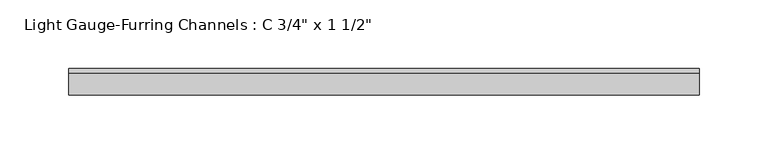
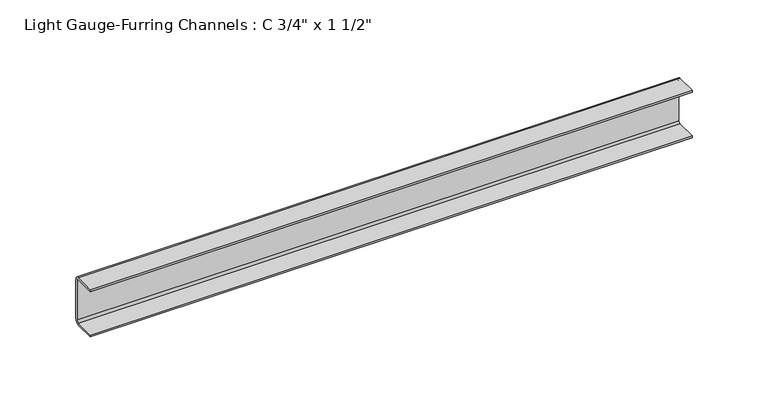
"""IFC4 building model written with IfcOpenShell, lengths in millimetres: beam geometry."""

from ifc_helpers import new_model, si_unit, point, frame, frame_2d, origin, place, context, project, spatial, polyline, circle_curve, trimmed, segment, composite_curve, outline, extrude, source, transform, mapped, element, save


def beam_46a7435d(model_context):
    return source(origin(), model_context, "Body", "SweptSolid", [
        extrude(outline(composite_curve([segment(trimmed(circle_curve(frame_2d((-3.175, -15.875)), 3.175), [point((0.0, -15.875))], [point((-3.175, -19.05))], False, "CARTESIAN"), True, "CONTINUOUS"), segment(polyline([(-3.175, -19.05), (-19.05, -19.05), (-19.05, -17.4625), (-3.175, -17.4625)]), True, "CONTINUOUS"), segment(trimmed(circle_curve(frame_2d((-3.175, -15.875)), 1.5875), [point((-3.175, -17.4625))], [point((-1.5875, -15.875))], True, "CARTESIAN"), True, "CONTINUOUS"), segment(polyline([(-1.5875, -15.875), (-1.5875, 15.875)]), True, "CONTINUOUS"), segment(trimmed(circle_curve(frame_2d((-3.175, 15.875)), 1.5875), [point((-1.5875, 15.875))], [point((-3.175, 17.4625))], True, "CARTESIAN"), True, "CONTINUOUS"), segment(polyline([(-3.175, 17.4625), (-19.05, 17.4625), (-19.05, 19.05), (-3.175, 19.05)]), True, "CONTINUOUS"), segment(trimmed(circle_curve(frame_2d((-3.175, 15.875)), 3.175), [point((-3.175, 19.05))], [point((0.0, 15.875))], False, "CARTESIAN"), True, "CONTINUOUS"), segment(polyline([(0.0, 15.875), (0.0, -15.875)]), True, "CONTINUOUS")], self_intersect=False)), frame((-228.6, 0.0, 0.0), z_axis=(1.0, 0.0, 0.0), x_axis=(0.0, 1.0, 0.0)), (0.0, 0.0, 1.0), 457.2),
    ])


if __name__ == "__main__":
    model = new_model("IFC4")
    model_context = context("Model", 3, world=origin())
    ifc_project = project(units=[si_unit("LENGTHUNIT", "METRE", prefix="MILLI")], contexts=[model_context])
    site = spatial("IfcSite", under=ifc_project)
    building = spatial("IfcBuilding", under=site)
    placement = place(None, origin())
    beam_shape = beam_46a7435d(model_context)
    element("IfcBeam", 1, ObjectType="Light Gauge-Furring Channels : C 3/4\" x 1 1/2\"", at=placement, inside=building, context=model_context, shape_type="MappedRepresentation", body=[
        mapped(beam_shape, transform((0.0, 0.0, 0.0), x_axis=(1.0, 0.0, 0.0), y_axis=(0.0, 1.0, 0.0), z_axis=(0.0, 0.0, 1.0))),
    ])
    save(model, "model.ifc")
